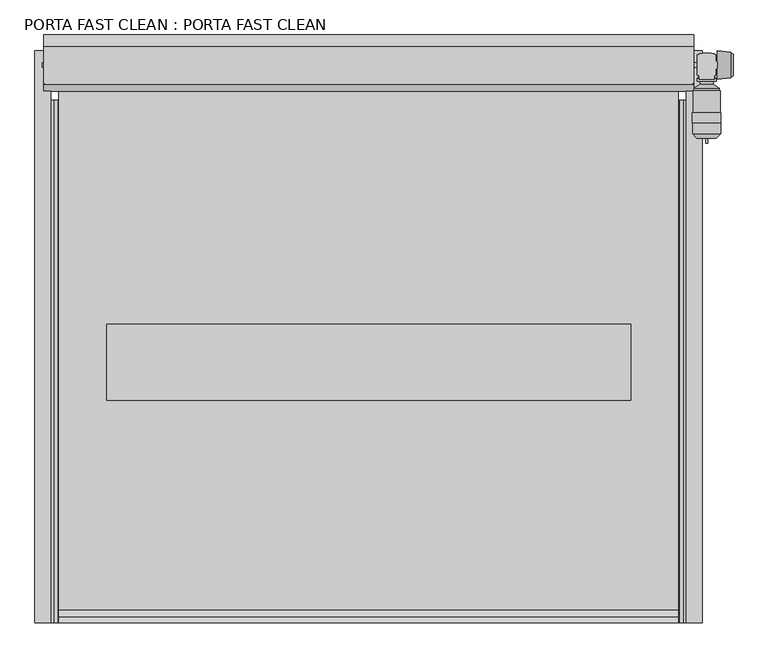
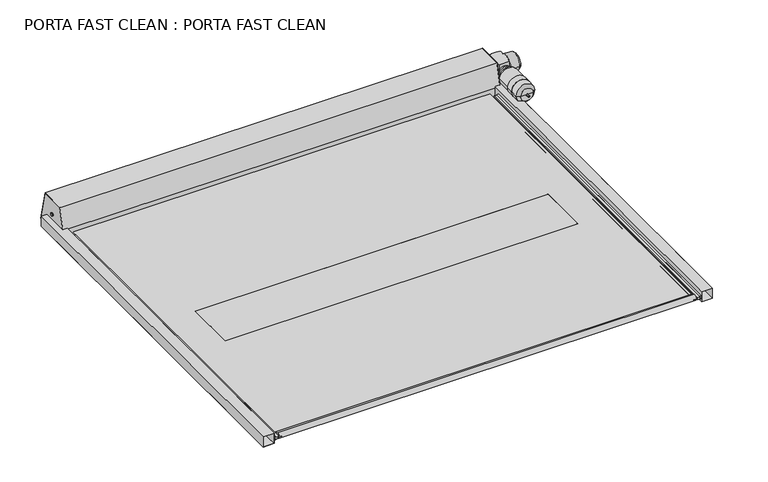
"""IFC4 building model written with IfcOpenShell, lengths in millimetres: proxy geometry, PORTA FAST CLEAN : PORTA FAST CLEAN."""

from ifc_helpers import new_model, si_unit, point, frame, frame_2d, origin, place, context, project, spatial, polyline, circle_curve, trimmed, segment, composite_curve, outline, extrude, source, transform, mapped, element, save
from ifc_brep_helpers import plane_surface, cylinder_surface, revolved_surface, advanced_brep


def porta_fast_clean_porta_fast_clean_129eab7e(model_context):
    return source(origin(), model_context, "Body", "SolidModel", [
        extrude(outline(polyline([(101.0854166, 2000.0), (0.0, 2000.0), (0.0, 2101.0854166), (101.0854166, 2101.0854166), (101.0854166, 2000.0)]), holes=[polyline([(99.5854166, 2001.5), (99.5854166, 2099.5854166), (1.5, 2099.5854166), (1.5, 2001.5), (99.5854166, 2001.5)])]), frame((0.0, 0.0, 0.0), z_axis=(0.0, 1.0, 0.0), x_axis=(0.0, 0.0, 1.0)), (0.0, 0.0, 1.0), 3600.0),
        extrude(outline(polyline([(61.0, 2000.0), (61.0, 1984.0), (56.0, 1984.0), (56.0, 1957.2003424), (46.1, 1957.2003424), (46.1, 1926.35), (43.9, 1926.35), (43.9, 1957.2003424), (34.0, 1957.2003424), (34.0, 1984.0), (29.0, 1984.0), (29.0, 2000.0), (61.0, 2000.0)]), holes=[polyline([(54.5, 1985.5), (59.5, 1985.5), (59.5, 1998.5), (30.5, 1998.5), (30.5, 1985.5), (35.5, 1985.5), (35.5, 1958.7003424), (54.5, 1958.7003424), (54.5, 1985.5)])]), frame((0.0, 0.0, 0.0), z_axis=(0.0, 1.0, 0.0), x_axis=(0.0, 0.0, 1.0)), (0.0, 0.0, 1.0), 3290.0),
        extrude(outline(polyline([(101.0854166, -2000.0), (101.0854166, -2101.0854166), (0.0, -2101.0854166), (0.0, -2000.0), (101.0854166, -2000.0)]), holes=[polyline([(99.5854166, -2001.5), (1.5, -2001.5), (1.5, -2099.5854166), (99.5854166, -2099.5854166), (99.5854166, -2001.5)])]), frame((0.0, 0.0, 0.0), z_axis=(0.0, 1.0, 0.0), x_axis=(0.0, 0.0, 1.0)), (0.0, 0.0, 1.0), 3600.0),
        extrude(outline(polyline([(61.0, -2000.0), (29.0, -2000.0), (29.0, -1984.0), (34.0, -1984.0), (34.0, -1957.2003424), (43.9, -1957.2003424), (43.9, -1926.35), (46.1, -1926.35), (46.1, -1957.2003424), (56.0, -1957.2003424), (56.0, -1984.0), (61.0, -1984.0), (61.0, -2000.0)]), holes=[polyline([(54.5, -1985.5), (54.5, -1958.7003424), (35.5, -1958.7003424), (35.5, -1985.5), (30.5, -1985.5), (30.5, -1998.5), (59.5, -1998.5), (59.5, -1985.5), (54.5, -1985.5)])]), frame((0.0, 0.0, 0.0), z_axis=(0.0, 1.0, 0.0), x_axis=(0.0, 0.0, 1.0)), (0.0, 0.0, 1.0), 3290.0),
        extrude(outline(polyline([(1650.0, 1879.752957), (1650.0, 1400.0), (-1650.0, 1400.0), (-1650.0, 1879.752957), (1650.0, 1879.752957)])), frame((0.0, 0.0, 45.6000748), z_axis=(0.0, 0.0, 1.0), x_axis=(1.0, 0.0, 0.0)), (0.0, 0.0, 1.0), 1.0),
        advanced_brep(
        [(-1950.0, 3455.0, 45.6000748), (-1950.0, 3455.0, 46.600401), (1950.0, 3455.0, 46.600401), (1950.0, 3455.0, 45.6000748), (-1950.0, 79.8109554, 45.6000748), (-1950.0, 36.1989348, 23.7487021), (-1950.0, 36.1988011, 68.4515144), (-1950.0, 79.8109554, 46.600401), (1950.0, 79.8109554, 46.600401), (1950.0, 36.1988011, 68.4515144), (1950.0, 36.1989348, 23.7487021), (1950.0, 79.8109554, 45.6000748), (-1650.0, 1879.752957, 46.600401), (1650.0, 1879.752957, 46.600401), (1650.0, 1400.0, 46.600401), (-1650.0, 1400.0, 46.600401), (1650.0, 1879.752957, 45.6000748), (-1650.0, 1879.752957, 45.6000748), (-1650.0, 1400.0, 45.6000748), (1650.0, 1400.0, 45.6000748)],
        [
            (0, 1),
            (1, 2),
            (2, 3),
            (3, 0),
            (4, 5),
            (5, 6, circle_curve(frame((-1950.0, 25.0, 46.1000748), z_axis=(-1.0, 0.0, 0.0), x_axis=(0.0, 1.0, 0.0)), 25.0)),
            (6, 7),
            (7, 1),
            (0, 4),
            (8, 9),
            (9, 10, circle_curve(frame((1950.0, 25.0, 46.1000748), z_axis=(1.0, 0.0, 0.0), x_axis=(0.0, 1.0, 0.0)), 25.0)),
            (10, 11),
            (11, 3),
            (2, 8),
            (7, 8),
            (12, 13),
            (13, 14),
            (14, 15),
            (15, 12),
            (6, 9),
            (5, 10),
            (4, 11),
            (16, 17),
            (17, 18),
            (18, 19),
            (19, 16),
            (12, 17),
            (16, 13),
            (15, 18),
            (14, 19),
        ],
        [
            plane_surface(frame((1950.0, 3455.0, 421.6982124), z_axis=(0.0, 1.0, 0.0), x_axis=(-1.0, 0.0, 0.0))),
            plane_surface(frame((-1950.0, 79.8109554, 46.600401), z_axis=(-1.0, 0.0, 0.0), x_axis=(0.0, 0.89405758556227, -0.44795204397185673))),
            plane_surface(frame((1950.0, 79.8109554, 46.600401), z_axis=(1.0, 0.0, 0.0), x_axis=(0.0, -0.89405758556227, 0.44795204397185673))),
            plane_surface(frame((1950.0, 6100.0, 46.600401), z_axis=(0.0, 0.0, 1.0), x_axis=(-1.0, 0.0, 0.0))),
            plane_surface(frame((1950.0, 79.8109554, 46.600401), z_axis=(0.0, 0.44795204397185673, 0.89405758556227), x_axis=(-1.0, 0.0, 0.0))),
            cylinder_surface(frame((-1950.0, 25.0, 46.1000748), z_axis=(1.0, 0.0, 0.0), x_axis=(0.0, 1.0, 0.0)), 25.0),
            plane_surface(frame((1950.0, 36.1989348, 23.7487021), z_axis=(0.0, 0.4479573905276503, -0.894054906743237), x_axis=(-1.0, 0.0, 0.0))),
            plane_surface(frame((1950.0, 79.8109554, 45.6000748), z_axis=(0.0, 0.0, -1.0), x_axis=(-1.0, 0.0, 0.0))),
            plane_surface(frame((-1650.0, 1879.752957, 41.6000748), z_axis=(0.0, -1.0, 0.0), x_axis=(0.0, 0.0, 1.0))),
            plane_surface(frame((-1650.0, 1400.0, 41.6000748), z_axis=(1.0, 0.0, 0.0), x_axis=(0.0, 0.0, 1.0))),
            plane_surface(frame((1650.0, 1400.0, 41.6000748), z_axis=(0.0, 1.0, 0.0), x_axis=(0.0, 0.0, 1.0))),
            plane_surface(frame((1650.0, 1879.752957, 41.6000748), z_axis=(-1.0, 0.0, 0.0), x_axis=(0.0, 0.0, 1.0))),
        ],
        [
            (0, [[1, 2, 3, 4]]),
            (1, [[5, 6, 7, 8, -1, 9]]),
            (2, [[10, 11, 12, 13, -3, 14]]),
            (3, [[15, -14, -2, -8], [16, 17, 18, 19]]),
            (4, [[-7, 20, -10, -15]]),
            (5, [[-6, 21, -11, -20]]),
            (6, [[-5, 22, -12, -21]]),
            (7, [[-22, -9, -4, -13], [23, 24, 25, 26]]),
            (8, [[27, -23, 28, -16]]),
            (9, [[-27, -19, 29, -24]]),
            (10, [[-29, -18, 30, -25]]),
            (11, [[-30, -17, -28, -26]]),
        ],
    ),
        advanced_brep(
        [(2127.8000288, 3018.2242112, 154.7822909), (2121.8000278, 3018.2242112, 154.7822909), (2133.8000298, 3018.2242112, 154.7822909), (2080.8019955, 3441.117049, 154.7822909), (2127.8000288, 3441.117049, 154.7822909), (2174.798062, 3441.117049, 154.7822909), (2067.7622627, 3428.0773162, 154.7822909), (2187.8377948, 3428.0773162, 154.7822909), (2067.7622627, 3406.7242112, 154.7822909), (2187.8377948, 3406.7242112, 154.7822909), (2086.7919444, 3406.7242112, 154.7822909), (2168.8081132, 3406.7242112, 154.7822909), (2086.7919444, 3389.6793541, 154.7822909), (2168.8081132, 3389.6793541, 154.7822909), (2046.7530531, 3364.2242112, 154.7822909), (2208.8470044, 3364.2242112, 154.7822909), (2046.7530531, 3347.2242112, 154.7822909), (2208.8470044, 3347.2242112, 154.7822909), (2042.4201627, 3347.2242112, 154.7822909), (2213.1798949, 3347.2242112, 154.7822909), (2042.4201627, 3209.7242112, 154.7822909), (2213.1798949, 3209.7242112, 154.7822909), (2038.2305827, 3209.7242112, 154.7822909), (2217.3694749, 3209.7242112, 154.7822909), (2038.2305827, 3147.1242052, 154.7822909), (2217.3694749, 3147.1242052, 154.7822909), (2039.9064842, 3147.1242052, 154.7822909), (2215.6935733, 3147.1242052, 154.7822909), (2039.9064842, 3078.3179707, 154.7822909), (2215.6935733, 3078.3179707, 154.7822909), (2066.0773862, 3050.2531142, 154.7822909), (2189.5226713, 3050.2531142, 154.7822909), (2119.1617167, 3050.2531142, 154.7822909), (2136.4383408, 3050.2531142, 154.7822909), (2119.1617167, 3048.2242112, 154.7822909), (2136.4383408, 3048.2242112, 154.7822909), (2120.7730148, 3048.2242112, 154.7822909), (2134.8270427, 3048.2242112, 154.7822909), (2120.7730148, 3019.2512241, 154.7822909), (2134.8270427, 3019.2512241, 154.7822909)],
        [
            (0, 1),
            (1, 2, circle_curve(frame((2127.8000288, 3018.2242112, 154.7822909), z_axis=(0.0, -1.0, 0.0), x_axis=(1.0, 0.0, 0.0)), 6.000001)),
            (2, 0),
            (2, 1, circle_curve(frame((2127.8000288, 3018.2242112, 154.7822909), z_axis=(0.0, -1.0, 0.0), x_axis=(1.0, 0.0, 0.0)), 6.000001)),
            (3, 4),
            (4, 5),
            (5, 3, circle_curve(frame((2127.8000288, 3441.117049, 154.7822909), z_axis=(0.0, 1.0, 0.0), x_axis=(1.0, 0.0, 0.0)), 46.9980332)),
            (3, 5, circle_curve(frame((2127.8000288, 3441.117049, 154.7822909), z_axis=(0.0, 1.0, 0.0), x_axis=(1.0, 0.0, 0.0)), 46.9980332)),
            (6, 3),
            (5, 7),
            (7, 6, circle_curve(frame((2127.8000288, 3428.0773162, 154.7822909), z_axis=(0.0, 1.0, 0.0), x_axis=(1.0, 0.0, 0.0)), 60.037766)),
            (6, 7, circle_curve(frame((2127.8000288, 3428.0773162, 154.7822909), z_axis=(0.0, 1.0, 0.0), x_axis=(1.0, 0.0, 0.0)), 60.037766)),
            (8, 6),
            (7, 9),
            (9, 8, circle_curve(frame((2127.8000288, 3406.7242112, 154.7822909), z_axis=(0.0, 1.0, 0.0), x_axis=(1.0, 0.0, 0.0)), 60.037766)),
            (8, 9, circle_curve(frame((2127.8000288, 3406.7242112, 154.7822909), z_axis=(0.0, 1.0, 0.0), x_axis=(1.0, 0.0, 0.0)), 60.037766)),
            (10, 8),
            (9, 11),
            (11, 10, circle_curve(frame((2127.8000288, 3406.7242112, 154.7822909), z_axis=(0.0, 1.0, 0.0), x_axis=(1.0, 0.0, 0.0)), 41.0080844)),
            (10, 11, circle_curve(frame((2127.8000288, 3406.7242112, 154.7822909), z_axis=(0.0, 1.0, 0.0), x_axis=(1.0, 0.0, 0.0)), 41.0080844)),
            (12, 10),
            (11, 13),
            (13, 12, circle_curve(frame((2127.8000288, 3389.6793541, 154.7822909), z_axis=(0.0, 1.0, 0.0), x_axis=(1.0, 0.0, 0.0)), 41.0080844)),
            (12, 13, circle_curve(frame((2127.8000288, 3389.6793541, 154.7822909), z_axis=(0.0, 1.0, 0.0), x_axis=(1.0, 0.0, 0.0)), 41.0080844)),
            (14, 12),
            (13, 15),
            (15, 14, circle_curve(frame((2127.8000288, 3364.2242112, 154.7822909), z_axis=(0.0, 1.0, 0.0), x_axis=(1.0, 0.0, 0.0)), 81.0469756)),
            (14, 15, circle_curve(frame((2127.8000288, 3364.2242112, 154.7822909), z_axis=(0.0, 1.0, 0.0), x_axis=(1.0, 0.0, 0.0)), 81.0469756)),
            (16, 14),
            (15, 17),
            (17, 16, circle_curve(frame((2127.8000288, 3347.2242112, 154.7822909), z_axis=(0.0, 1.0, 0.0), x_axis=(1.0, 0.0, 0.0)), 81.0469756)),
            (16, 17, circle_curve(frame((2127.8000288, 3347.2242112, 154.7822909), z_axis=(0.0, 1.0, 0.0), x_axis=(1.0, 0.0, 0.0)), 81.0469756)),
            (18, 16),
            (17, 19),
            (19, 18, circle_curve(frame((2127.8000288, 3347.2242112, 154.7822909), z_axis=(0.0, 1.0, 0.0), x_axis=(1.0, 0.0, 0.0)), 85.3798661)),
            (18, 19, circle_curve(frame((2127.8000288, 3347.2242112, 154.7822909), z_axis=(0.0, 1.0, 0.0), x_axis=(1.0, 0.0, 0.0)), 85.3798661)),
            (20, 18),
            (19, 21),
            (21, 20, circle_curve(frame((2127.8000288, 3209.7242112, 154.7822909), z_axis=(0.0, 1.0, 0.0), x_axis=(1.0, 0.0, 0.0)), 85.3798661)),
            (20, 21, circle_curve(frame((2127.8000288, 3209.7242112, 154.7822909), z_axis=(0.0, 1.0, 0.0), x_axis=(1.0, 0.0, 0.0)), 85.3798661)),
            (22, 20),
            (21, 23),
            (23, 22, circle_curve(frame((2127.8000288, 3209.7242112, 154.7822909), z_axis=(0.0, 1.0, 0.0), x_axis=(1.0, 0.0, 0.0)), 89.5694461)),
            (22, 23, circle_curve(frame((2127.8000288, 3209.7242112, 154.7822909), z_axis=(0.0, 1.0, 0.0), x_axis=(1.0, 0.0, 0.0)), 89.5694461)),
            (24, 22),
            (23, 25),
            (25, 24, circle_curve(frame((2127.8000288, 3147.1242052, 154.7822909), z_axis=(0.0, 1.0, 0.0), x_axis=(1.0, 0.0, 0.0)), 89.5694461)),
            (24, 25, circle_curve(frame((2127.8000288, 3147.1242052, 154.7822909), z_axis=(0.0, 1.0, 0.0), x_axis=(1.0, 0.0, 0.0)), 89.5694461)),
            (26, 24),
            (25, 27),
            (27, 26, circle_curve(frame((2127.8000288, 3147.1242052, 154.7822909), z_axis=(0.0, 1.0, 0.0), x_axis=(1.0, 0.0, 0.0)), 87.8935446)),
            (26, 27, circle_curve(frame((2127.8000288, 3147.1242052, 154.7822909), z_axis=(0.0, 1.0, 0.0), x_axis=(1.0, 0.0, 0.0)), 87.8935446)),
            (28, 26),
            (27, 29),
            (29, 28, circle_curve(frame((2127.8000288, 3078.3179707, 154.7822909), z_axis=(0.0, 1.0, 0.0), x_axis=(1.0, 0.0, 0.0)), 87.8935446)),
            (28, 29, circle_curve(frame((2127.8000288, 3078.3179707, 154.7822909), z_axis=(0.0, 1.0, 0.0), x_axis=(1.0, 0.0, 0.0)), 87.8935446)),
            (30, 28),
            (29, 31),
            (31, 30, circle_curve(frame((2127.8000288, 3050.2531142, 154.7822909), z_axis=(0.0, 1.0, 0.0), x_axis=(1.0, 0.0, 0.0)), 61.7226426)),
            (30, 31, circle_curve(frame((2127.8000288, 3050.2531142, 154.7822909), z_axis=(0.0, 1.0, 0.0), x_axis=(1.0, 0.0, 0.0)), 61.7226426)),
            (32, 30),
            (31, 33),
            (33, 32, circle_curve(frame((2127.8000288, 3050.2531142, 154.7822909), z_axis=(0.0, 1.0, 0.0), x_axis=(1.0, 0.0, 0.0)), 8.6383121)),
            (32, 33, circle_curve(frame((2127.8000288, 3050.2531142, 154.7822909), z_axis=(0.0, 1.0, 0.0), x_axis=(1.0, 0.0, 0.0)), 8.6383121)),
            (34, 32),
            (33, 35),
            (35, 34, circle_curve(frame((2127.8000288, 3048.2242112, 154.7822909), z_axis=(0.0, 1.0, 0.0), x_axis=(1.0, 0.0, 0.0)), 8.6383121)),
            (34, 35, circle_curve(frame((2127.8000288, 3048.2242112, 154.7822909), z_axis=(0.0, 1.0, 0.0), x_axis=(1.0, 0.0, 0.0)), 8.6383121)),
            (36, 34),
            (35, 37),
            (37, 36, circle_curve(frame((2127.8000288, 3048.2242112, 154.7822909), z_axis=(0.0, 1.0, 0.0), x_axis=(1.0, 0.0, 0.0)), 7.0270139)),
            (36, 37, circle_curve(frame((2127.8000288, 3048.2242112, 154.7822909), z_axis=(0.0, 1.0, 0.0), x_axis=(1.0, 0.0, 0.0)), 7.0270139)),
            (38, 36),
            (37, 39),
            (39, 38, circle_curve(frame((2127.8000288, 3019.2512241, 154.7822909), z_axis=(0.0, 1.0, 0.0), x_axis=(1.0, 0.0, 0.0)), 7.0270139)),
            (38, 39, circle_curve(frame((2127.8000288, 3019.2512241, 154.7822909), z_axis=(0.0, 1.0, 0.0), x_axis=(1.0, 0.0, 0.0)), 7.0270139)),
            (1, 38),
            (39, 2),
        ],
        [
            plane_surface(frame((2127.8000288, 3018.2242112, 154.7822909), z_axis=(0.0, -1.0, 0.0), x_axis=(1.0, 0.0, 0.0))),
            plane_surface(frame((2127.8000288, 3441.117049, 154.7822909), z_axis=(0.0, 1.0, 0.0), x_axis=(1.0, 0.0, 0.0))),
            revolved_surface(polyline([(2174.798062, 3441.117049, 154.7822909), (2187.8377948, 3428.0773162, 154.7822909)]), (2127.8000288, 3421.2242112, 154.7822909), (0.0, -1.0, 0.0)),
            cylinder_surface(frame((2127.8000288, 3421.2242112, 154.7822909), z_axis=(0.0, -1.0, 0.0), x_axis=(1.0, 0.0, 0.0)), 60.037766),
            plane_surface(frame((2127.8000288, 3406.7242112, 154.7822909), z_axis=(0.0, -1.0, 0.0), x_axis=(1.0, 0.0, 0.0))),
            cylinder_surface(frame((2127.8000288, 3421.2242112, 154.7822909), z_axis=(0.0, -1.0, 0.0), x_axis=(1.0, 0.0, 0.0)), 41.0080844),
            revolved_surface(polyline([(2168.8081132, 3389.6793541, 154.7822909), (2208.8470044, 3364.2242112, 154.7822909)]), (2127.8000288, 3421.2242112, 154.7822909), (0.0, -1.0, 0.0)),
            cylinder_surface(frame((2127.8000288, 3421.2242112, 154.7822909), z_axis=(0.0, -1.0, 0.0), x_axis=(1.0, 0.0, 0.0)), 81.0469756),
            plane_surface(frame((2127.8000288, 3347.2242112, 154.7822909), z_axis=(0.0, 1.0, 0.0), x_axis=(1.0, 0.0, 0.0))),
            cylinder_surface(frame((2127.8000288, 3421.2242112, 154.7822909), z_axis=(0.0, -1.0, 0.0), x_axis=(1.0, 0.0, 0.0)), 85.3798661),
            plane_surface(frame((2127.8000288, 3209.7242112, 154.7822909), z_axis=(0.0, 1.0, 0.0), x_axis=(1.0, 0.0, 0.0))),
            cylinder_surface(frame((2127.8000288, 3421.2242112, 154.7822909), z_axis=(0.0, -1.0, 0.0), x_axis=(1.0, 0.0, 0.0)), 89.5694461),
            plane_surface(frame((2127.8000288, 3147.1242052, 154.7822909), z_axis=(0.0, -1.0, 0.0), x_axis=(1.0, 0.0, 0.0))),
            cylinder_surface(frame((2127.8000288, 3421.2242112, 154.7822909), z_axis=(0.0, -1.0, 0.0), x_axis=(1.0, 0.0, 0.0)), 87.8935446),
            revolved_surface(polyline([(2215.6935733, 3078.3179707, 154.7822909), (2189.5226713, 3050.2531142, 154.7822909)]), (2127.8000288, 3421.2242112, 154.7822909), (0.0, -1.0, 0.0)),
            plane_surface(frame((2127.8000288, 3050.2531142, 154.7822909), z_axis=(0.0, -1.0, 0.0), x_axis=(1.0, 0.0, 0.0))),
            cylinder_surface(frame((2127.8000288, 3421.2242112, 154.7822909), z_axis=(0.0, -1.0, 0.0), x_axis=(1.0, 0.0, 0.0)), 8.6383121),
            plane_surface(frame((2127.8000288, 3048.2242112, 154.7822909), z_axis=(0.0, -1.0, 0.0), x_axis=(1.0, 0.0, 0.0))),
            cylinder_surface(frame((2127.8000288, 3421.2242112, 154.7822909), z_axis=(0.0, -1.0, 0.0), x_axis=(1.0, 0.0, 0.0)), 7.0270139),
            revolved_surface(polyline([(2134.8270427, 3019.2512241, 154.7822909), (2133.8000298, 3018.2242112, 154.7822909)]), (2127.8000288, 3421.2242112, 154.7822909), (0.0, -1.0, 0.0)),
        ],
        [
            (0, [[1, 2, 3]]),
            (0, [[-3, 4, -1]]),
            (1, [[5, 6, 7]]),
            (1, [[-6, -5, 8]]),
            (2, [[9, -7, 10, 11]]),
            (2, [[-10, -8, -9, 12]]),
            (3, [[13, -11, 14, 15]]),
            (3, [[-14, -12, -13, 16]]),
            (4, [[17, -15, 18, 19]]),
            (4, [[-18, -16, -17, 20]]),
            (5, [[21, -19, 22, 23]]),
            (5, [[-22, -20, -21, 24]]),
            (6, [[25, -23, 26, 27]]),
            (6, [[-26, -24, -25, 28]]),
            (7, [[29, -27, 30, 31]]),
            (7, [[-30, -28, -29, 32]]),
            (8, [[33, -31, 34, 35]]),
            (8, [[-34, -32, -33, 36]]),
            (9, [[37, -35, 38, 39]]),
            (9, [[-38, -36, -37, 40]]),
            (10, [[41, -39, 42, 43]]),
            (10, [[-42, -40, -41, 44]]),
            (11, [[45, -43, 46, 47]]),
            (11, [[-46, -44, -45, 48]]),
            (12, [[49, -47, 50, 51]]),
            (12, [[-50, -48, -49, 52]]),
            (13, [[53, -51, 54, 55]]),
            (13, [[-54, -52, -53, 56]]),
            (14, [[57, -55, 58, 59]]),
            (14, [[-58, -56, -57, 60]]),
            (15, [[61, -59, 62, 63]]),
            (15, [[-62, -60, -61, 64]]),
            (16, [[65, -63, 66, 67]]),
            (16, [[-66, -64, -65, 68]]),
            (17, [[69, -67, 70, 71]]),
            (17, [[-70, -68, -69, 72]]),
            (18, [[73, -71, 74, 75]]),
            (18, [[-74, -72, -73, 76]]),
            (19, [[77, -75, 78, -2]]),
            (19, [[-78, -76, -77, -4]]),
        ],
    ),
        advanced_brep(
        [(2194.4535548, 3421.4495291, 154.7822909), (2194.4535548, 3510.4495291, 154.7822909), (2194.4535548, 3599.4495291, 154.7822909), (2279.6414958, 3429.0207358, 154.7822909), (2279.6414958, 3591.8783223, 154.7822909), (2294.4535548, 3441.4495291, 154.7822909), (2294.4535548, 3579.4495291, 154.7822909), (2294.4535548, 3510.4495291, 154.7822909)],
        [
            (0, 1),
            (1, 2),
            (2, 0, circle_curve(frame((2194.4535548, 3510.4495291, 154.7822909), z_axis=(-1.0, 0.0, 0.0), x_axis=(0.0, 1.0, 0.0)), 89.0)),
            (0, 2, circle_curve(frame((2194.4535548, 3510.4495291, 154.7822909), z_axis=(-1.0, 0.0, 0.0), x_axis=(0.0, 1.0, 0.0)), 89.0)),
            (3, 0),
            (2, 4),
            (4, 3, circle_curve(frame((2279.6414958, 3510.4495291, 154.7822909), z_axis=(-1.0, 0.0, 0.0), x_axis=(0.0, 1.0, 0.0)), 81.4287932)),
            (3, 4, circle_curve(frame((2279.6414958, 3510.4495291, 154.7822909), z_axis=(-1.0, 0.0, 0.0), x_axis=(0.0, 1.0, 0.0)), 81.4287932)),
            (5, 3),
            (4, 6),
            (6, 5, circle_curve(frame((2294.4535548, 3510.4495291, 154.7822909), z_axis=(-1.0, 0.0, 0.0), x_axis=(0.0, 1.0, 0.0)), 69.0)),
            (5, 6, circle_curve(frame((2294.4535548, 3510.4495291, 154.7822909), z_axis=(-1.0, 0.0, 0.0), x_axis=(0.0, 1.0, 0.0)), 69.0)),
            (7, 5),
            (6, 7),
        ],
        [
            plane_surface(frame((2194.4535548, 3510.4495291, 154.7822909), z_axis=(-1.0, 0.0, 0.0), x_axis=(0.0, 1.0, 0.0))),
            revolved_surface(polyline([(2194.4535548, 3599.4495291, 154.7822909), (2279.6414958, 3591.8783223, 154.7822909)]), (2294.4535548, 3510.4495291, 154.7822909), (1.0, 0.0, 0.0)),
            revolved_surface(polyline([(2279.6414958, 3591.8783223, 154.7822909), (2294.4535548, 3579.4495291, 154.7822909)]), (2294.4535548, 3510.4495291, 154.7822909), (1.0, 0.0, 0.0)),
            plane_surface(frame((2294.4535548, 3510.4495291, 154.7822909), z_axis=(1.0, 0.0, 0.0), x_axis=(0.0, 1.0, 0.0))),
        ],
        [
            (0, [[1, 2, 3]]),
            (0, [[-2, -1, 4]]),
            (1, [[5, -3, 6, 7]]),
            (1, [[-6, -4, -5, 8]]),
            (2, [[9, -7, 10, 11]]),
            (2, [[-10, -8, -9, 12]]),
            (3, [[13, -11, 14]]),
            (3, [[-14, -12, -13]]),
        ],
    ),
        extrude(outline(polyline([(2070.3000298, 3575.7242112), (2080.8000298, 3575.7242112), (2080.8000298, 3580.7242112), (2099.6821938, 3580.7242112), (2099.8000298, 3585.2242112), (2155.8000298, 3585.2242112), (2155.9178658, 3580.7242112), (2174.8000298, 3580.7242112), (2174.8000448, 3575.7242112), (2185.3000298, 3575.7242112), (2185.3000678, 3533.2242112), (2187.8000298, 3533.2242112), (2187.8000298, 3532.2242112), (2194.4535548, 3532.213895), (2194.4535548, 3502.2270042), (2194.4535548, 3489.2242112), (2187.8000298, 3489.2242112), (2187.8000298, 3488.2242112), (2185.3000298, 3488.2242112), (2185.3000298, 3445.7242112), (2174.8000448, 3445.7242112), (2174.7895008, 3421.2242112), (2080.8105568, 3421.2242112), (2080.8000298, 3445.7242112), (2070.3000298, 3445.7242112), (2070.3000298, 3575.7242112)])), frame((0.0, 0.0, 65.7822909), z_axis=(0.0, 0.0, 1.0), x_axis=(1.0, 0.0, 0.0)), (0.0, 0.0, 1.0), 178.0),
        extrude(outline(composite_curve([segment(trimmed(circle_curve(frame_2d((3510.4495291, 155.2590182)), 15.0), [point((3525.4495291, 155.2590182))], [point((3495.4495291, 155.2590182))], False, "CARTESIAN"), True, "CONTINUOUS"), segment(trimmed(circle_curve(frame_2d((3510.4495291, 155.2590182)), 15.0), [point((3495.4495291, 155.2590182))], [point((3525.4495291, 155.2590182))], False, "CARTESIAN"), True, "CONTINUOUS")], self_intersect=False)), frame((-2056.0, 0.0, 0.0), z_axis=(1.0, 0.0, 0.0), x_axis=(0.0, 1.0, 0.0)), (0.0, 0.0, 1.0), 4293.5003124),
        extrude(outline(polyline([(3345.2735043, 0.0), (3345.2735043, 90.2091256), (3391.5040345, 292.0), (3628.4575006, 292.0), (3698.4575006, 0.0), (3345.2735043, 0.0)])), frame((-2046.0, 0.0, 0.0), z_axis=(1.0, 0.0, 0.0), x_axis=(0.0, 1.0, 0.0)), (0.0, 0.0, 1.0), 5.0),
        extrude(outline(polyline([(3345.2735043, 0.0), (3345.2735043, 90.2091256), (3391.5040345, 292.0), (3628.4575006, 292.0), (3698.4575006, 0.0), (3345.2735043, 0.0)])), frame((2041.0, 0.0, 0.0), z_axis=(1.0, 0.0, 0.0), x_axis=(0.0, 1.0, 0.0)), (0.0, 0.0, 1.0), 5.0),
        extrude(outline(polyline([(3629.640411, 293.5), (3700.0, 0.0), (3698.4575006, 0.0), (3628.4575006, 292.0), (3391.5040345, 292.0), (3345.2735043, 90.2091256), (3345.2735043, 0.0), (3343.7735043, 0.0), (3343.7735043, 90.3787541), (3390.3088242, 293.5), (3629.640411, 293.5)])), frame((-2046.0, 0.0, 0.0), z_axis=(1.0, 0.0, 0.0), x_axis=(0.0, 1.0, 0.0)), (0.0, 0.0, 1.0), 4092.0),
    ])


if __name__ == "__main__":
    model = new_model("IFC4")
    model_context = context("Model", 3, world=origin())
    ifc_project = project(units=[si_unit("LENGTHUNIT", "METRE", prefix="MILLI")], contexts=[model_context])
    site = spatial("IfcSite", under=ifc_project)
    building = spatial("IfcBuilding", under=site)
    placement = place(None, origin())
    porta_fast_clean_porta_fast_clean_shape = porta_fast_clean_porta_fast_clean_129eab7e(model_context)
    element("IfcBuildingElementProxy", 1, Name="PORTA FAST CLEAN : PORTA FAST CLEAN", ObjectType="PORTA FAST CLEAN : PORTA FAST CLEAN", at=placement, inside=building, context=model_context, shape_type="MappedRepresentation", body=[
        mapped(porta_fast_clean_porta_fast_clean_shape, transform((0.0, 0.0, 0.0), x_axis=(1.0, 0.0, 0.0), y_axis=(0.0, 1.0, 0.0), z_axis=(0.0, 0.0, 1.0))),
    ])
    save(model, "model.ifc")
